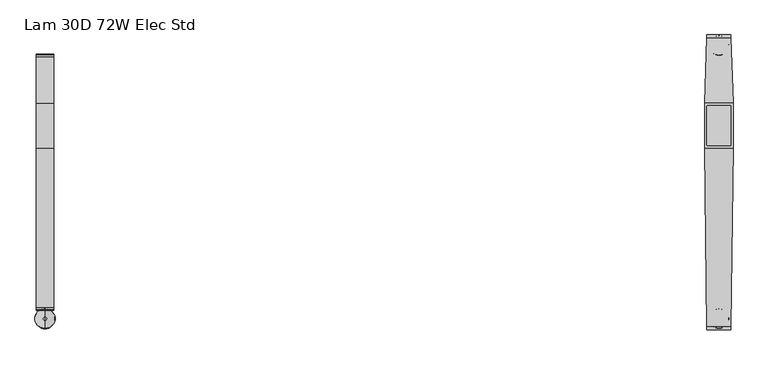
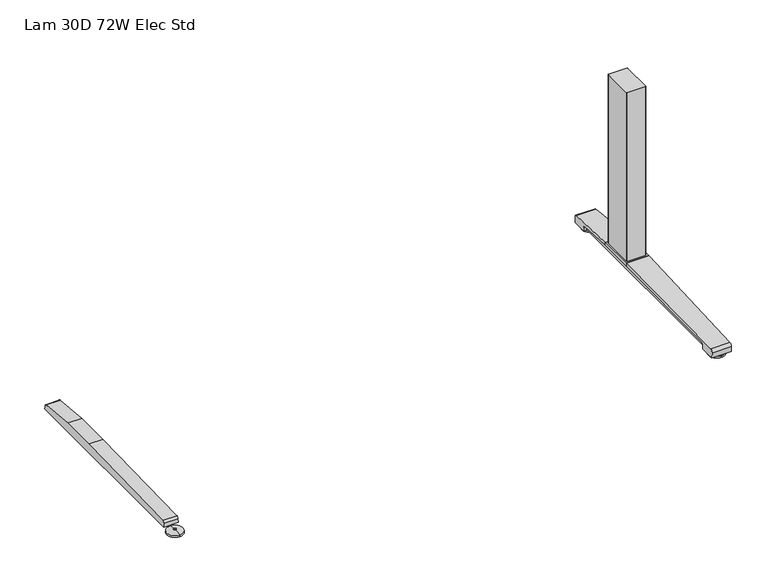
"""IFC4 building model written with IfcOpenShell, lengths in millimetres: furniture geometry, Lam 30D 72W Elec Std."""

from ifc_helpers import new_model, si_unit, point, frame, frame_2d, origin, place, context, project, spatial, polyline, circle_curve, ellipse_curve, trimmed, segment, composite_curve, outline, extrude, source, transform, mapped, element, save
from ifc_brep_helpers import plane_surface, cylinder_surface, revolved_surface, advanced_brep


def lam_30d_72w_elec_std_380b1c24(model_context):
    return source(origin(), model_context, "Body", "SolidModel", [
        advanced_brep(
        [(-836.676, -364.1643617, 0.0), (-836.676, -313.9743384, 0.0), (-836.676, -339.06935, 0.0), (-836.676, -364.0796512, 5.0038001), (-836.676, -314.0590489, 5.0038001), (-836.676, -343.0698499, 8.4327997), (-836.676, -335.0688501, 8.4327997), (-836.676, -343.0698499, 10.0423733), (-836.676, -335.0688501, 10.0423733), (-836.676, -339.06935, 10.0423733)],
        [
            (0, 1, circle_curve(frame((-836.676, -339.06935, 0.0), z_axis=(0.0, 0.0, -1.0), x_axis=(0.0, 1.0, 0.0)), 25.0950117)),
            (1, 2),
            (2, 0),
            (1, 0, circle_curve(frame((-836.676, -339.06935, 0.0), z_axis=(0.0, 0.0, -1.0), x_axis=(0.0, 1.0, 0.0)), 25.0950117)),
            (3, 4, circle_curve(frame((-836.676, -339.06935, 5.0038001), z_axis=(0.0, 0.0, -1.0), x_axis=(0.0, 1.0, 0.0)), 25.0103012)),
            (4, 1),
            (0, 3),
            (4, 3, circle_curve(frame((-836.676, -339.06935, 5.0038001), z_axis=(0.0, 0.0, -1.0), x_axis=(0.0, 1.0, 0.0)), 25.0103012)),
            (5, 6, circle_curve(frame((-836.676, -339.06935, 8.4327997), z_axis=(0.0, 0.0, -1.0), x_axis=(0.0, 1.0, 0.0)), 4.0004999)),
            (6, 4, circle_curve(frame((-836.676, -335.0368668, -57.4502444), z_axis=(-1.0, 0.0, 0.0), x_axis=(0.0, 1.0, 0.0)), 65.8830518)),
            (3, 5, circle_curve(frame((-836.676, -343.1018333, -57.4502444), z_axis=(-1.0, 0.0, 0.0), x_axis=(0.0, -1.0, 0.0)), 65.8830518)),
            (6, 5, circle_curve(frame((-836.676, -339.06935, 8.4327997), z_axis=(0.0, 0.0, -1.0), x_axis=(0.0, 1.0, 0.0)), 4.0004999)),
            (7, 8, circle_curve(frame((-836.676, -339.06935, 10.0423733), z_axis=(0.0, 0.0, -1.0), x_axis=(0.0, 1.0, 0.0)), 4.0004999)),
            (8, 6),
            (5, 7),
            (8, 7, circle_curve(frame((-836.676, -339.06935, 10.0423733), z_axis=(0.0, 0.0, -1.0), x_axis=(0.0, 1.0, 0.0)), 4.0004999)),
            (9, 8),
            (7, 9),
        ],
        [
            plane_surface(frame((-836.676, -339.06935, 0.0), z_axis=(0.0, 0.0, -1.0), x_axis=(0.0, 1.0, 0.0))),
            revolved_surface(polyline([(-836.676, -313.9743384, 0.0), (-836.676, -314.0590489, 5.0038001)]), (-836.676, -339.06935, 0.0), (0.0, 0.0, 1.0)),
            revolved_surface(trimmed(ellipse_curve(frame((-836.676, -335.0368668, -57.4502444), z_axis=(1.0, 0.0, 0.0), x_axis=(0.0, 1.0, 0.0)), 65.8830518, 65.8830518), [point((-836.676, -314.0590489, 5.0038001))], [point((-836.676, -335.0688501, 8.4327997))], True, "CARTESIAN"), (-836.676, -339.06935, 0.0), (0.0, 0.0, 1.0)),
            cylinder_surface(frame((-836.676, -339.06935, 0.0), z_axis=(0.0, 0.0, 1.0), x_axis=(0.0, 1.0, 0.0)), 4.0004999),
            plane_surface(frame((-836.676, -339.06935, 10.0423733), z_axis=(0.0, 0.0, 1.0), x_axis=(0.0, 1.0, 0.0))),
        ],
        [
            (0, [[1, 2, 3]]),
            (0, [[4, -3, -2]]),
            (1, [[5, 6, -1, 7]]),
            (1, [[8, -7, -4, -6]]),
            (2, [[9, 10, -5, 11]]),
            (2, [[12, -11, -8, -10]]),
            (3, [[13, 14, -9, 15]]),
            (3, [[16, -15, -12, -14]]),
            (4, [[17, -13, 18]]),
            (4, [[-18, -16, -17]]),
        ],
    ),
        extrude(outline(composite_curve([segment(polyline([(317.3152602, 22.833301), (318.3038309, 11.5339019), (-318.3038309, 11.5339019), (-317.3152602, 22.833301)]), True, "CONTINUOUS"), segment(trimmed(circle_curve(frame_2d((-310.4929906, 22.2364289)), 6.8483297), [point((-317.3152602, 22.833301))], [point((-311.3603185, 29.0296138))], False, "CARTESIAN"), True, "CONTINUOUS"), segment(polyline([(-311.3603185, 29.0296138), (84.6231873, 38.9541198), (196.8596127, 38.9541198), (311.3603185, 29.0296138)]), True, "CONTINUOUS"), segment(trimmed(circle_curve(frame_2d((310.4929906, 22.2364289)), 6.8483297), [point((311.3603185, 29.0296138))], [point((317.3152602, 22.833301))], False, "CARTESIAN"), True, "CONTINUOUS")], self_intersect=False)), frame((-858.6724, 0.0, 0.0), z_axis=(1.0, 0.0, 0.0), x_axis=(0.0, 1.0, 0.0)), (0.0, 0.0, 1.0), 43.9928),
        extrude(outline(composite_curve([segment(trimmed(circle_curve(frame_2d((864.2521079, 188.3835079)), 2.3323921), [point((864.2521079, 190.7159))], [point((866.5845, 188.3835079))], False, "CARTESIAN"), True, "CONTINUOUS"), segment(polyline([(866.5845, 188.3835079), (866.5845, 93.0992921)]), True, "CONTINUOUS"), segment(trimmed(circle_curve(frame_2d((864.2521079, 93.0992921)), 2.3323921), [point((866.5845, 93.0992921))], [point((864.2521079, 90.7669))], False, "CARTESIAN"), True, "CONTINUOUS"), segment(polyline([(864.2521079, 90.7669), (809.0998921, 90.7669)]), True, "CONTINUOUS"), segment(trimmed(circle_curve(frame_2d((809.0998921, 93.0992921)), 2.3323921), [point((809.0998921, 90.7669))], [point((806.7675, 93.0992921))], False, "CARTESIAN"), True, "CONTINUOUS"), segment(polyline([(806.7675, 93.0992921), (806.7675, 188.3835079)]), True, "CONTINUOUS"), segment(trimmed(circle_curve(frame_2d((809.0998921, 188.3835079)), 2.3323921), [point((806.7675, 188.3835079))], [point((809.0998921, 190.7159))], False, "CARTESIAN"), True, "CONTINUOUS"), segment(polyline([(809.0998921, 190.7159), (864.2521079, 190.7159)]), True, "CONTINUOUS")], self_intersect=False)), frame((0.0, 0.0, 48.10013), z_axis=(0.0, 0.0, 1.0), x_axis=(1.0, 0.0, 0.0)), (0.0, 0.0, 1.0), 550.9989485),
        advanced_brep(
        [(836.676, 314.8489737, 0.0), (836.676, 365.038997, 0.0), (836.676, 339.9439854, 0.0), (836.676, 314.9336842, 5.0038001), (836.676, 364.9542866, 5.0038001), (836.676, 335.9434855, 8.4327997), (836.676, 343.9444853, 8.4327997), (836.676, 335.9434855, 10.0423733), (836.676, 343.9444853, 10.0423733), (836.676, 339.9439854, 10.0423733)],
        [
            (0, 1, circle_curve(frame((836.676, 339.9439854, 0.0), z_axis=(0.0, 0.0, -1.0), x_axis=(0.0, 1.0, 0.0)), 25.0950117)),
            (1, 2),
            (2, 0),
            (1, 0, circle_curve(frame((836.676, 339.9439854, 0.0), z_axis=(0.0, 0.0, -1.0), x_axis=(0.0, 1.0, 0.0)), 25.0950117)),
            (3, 4, circle_curve(frame((836.676, 339.9439854, 5.0038001), z_axis=(0.0, 0.0, -1.0), x_axis=(0.0, 1.0, 0.0)), 25.0103012)),
            (4, 1),
            (0, 3),
            (4, 3, circle_curve(frame((836.676, 339.9439854, 5.0038001), z_axis=(0.0, 0.0, -1.0), x_axis=(0.0, 1.0, 0.0)), 25.0103012)),
            (5, 6, circle_curve(frame((836.676, 339.9439854, 8.4327997), z_axis=(0.0, 0.0, -1.0), x_axis=(0.0, 1.0, 0.0)), 4.0004999)),
            (6, 4, circle_curve(frame((836.676, 343.9764687, -57.4502444), z_axis=(-1.0, 0.0, 0.0), x_axis=(0.0, 1.0, 0.0)), 65.8830518)),
            (3, 5, circle_curve(frame((836.676, 335.9115021, -57.4502444), z_axis=(-1.0, 0.0, 0.0), x_axis=(0.0, -1.0, 0.0)), 65.8830518)),
            (6, 5, circle_curve(frame((836.676, 339.9439854, 8.4327997), z_axis=(0.0, 0.0, -1.0), x_axis=(0.0, 1.0, 0.0)), 4.0004999)),
            (7, 8, circle_curve(frame((836.676, 339.9439854, 10.0423733), z_axis=(0.0, 0.0, -1.0), x_axis=(0.0, 1.0, 0.0)), 4.0004999)),
            (8, 6),
            (5, 7),
            (8, 7, circle_curve(frame((836.676, 339.9439854, 10.0423733), z_axis=(0.0, 0.0, -1.0), x_axis=(0.0, 1.0, 0.0)), 4.0004999)),
            (9, 8),
            (7, 9),
        ],
        [
            plane_surface(frame((836.676, 339.9439854, 0.0), z_axis=(0.0, 0.0, -1.0), x_axis=(0.0, 1.0, 0.0))),
            revolved_surface(polyline([(836.676, 365.038997, 0.0), (836.676, 364.9542866, 5.0038001)]), (836.676, 339.9439854, 0.0), (0.0, 0.0, 1.0)),
            revolved_surface(trimmed(ellipse_curve(frame((836.676, 343.9764687, -57.4502444), z_axis=(1.0, 0.0, 0.0), x_axis=(0.0, 1.0, 0.0)), 65.8830518, 65.8830518), [point((836.676, 364.9542866, 5.0038001))], [point((836.676, 343.9444853, 8.4327997))], True, "CARTESIAN"), (836.676, 339.9439854, 0.0), (0.0, 0.0, 1.0)),
            cylinder_surface(frame((836.676, 339.9439854, 0.0), z_axis=(0.0, 0.0, 1.0), x_axis=(0.0, 1.0, 0.0)), 4.0004999),
            plane_surface(frame((836.676, 339.9439854, 10.0423733), z_axis=(0.0, 0.0, 1.0), x_axis=(0.0, 1.0, 0.0))),
        ],
        [
            (0, [[1, 2, 3]]),
            (0, [[4, -3, -2]]),
            (1, [[5, 6, -1, 7]]),
            (1, [[8, -7, -4, -6]]),
            (2, [[9, 10, -5, 11]]),
            (2, [[12, -11, -8, -10]]),
            (3, [[13, 14, -9, 15]]),
            (3, [[16, -15, -12, -14]]),
            (4, [[17, -13, 18]]),
            (4, [[-18, -16, -17]]),
        ],
    ),
        advanced_brep(
        [(836.676, -364.1643617, 0.0), (836.676, -313.9743384, 0.0), (836.676, -339.06935, 0.0), (836.676, -364.0796512, 5.0038001), (836.676, -314.0590489, 5.0038001), (836.676, -343.0698499, 8.4327997), (836.676, -335.0688501, 8.4327997), (836.676, -343.0698499, 10.0423733), (836.676, -335.0688501, 10.0423733), (836.676, -339.06935, 10.0423733)],
        [
            (0, 1, circle_curve(frame((836.676, -339.06935, 0.0), z_axis=(0.0, 0.0, -1.0), x_axis=(0.0, 1.0, 0.0)), 25.0950117)),
            (1, 2),
            (2, 0),
            (1, 0, circle_curve(frame((836.676, -339.06935, 0.0), z_axis=(0.0, 0.0, -1.0), x_axis=(0.0, 1.0, 0.0)), 25.0950117)),
            (3, 4, circle_curve(frame((836.676, -339.06935, 5.0038001), z_axis=(0.0, 0.0, -1.0), x_axis=(0.0, 1.0, 0.0)), 25.0103012)),
            (4, 1),
            (0, 3),
            (4, 3, circle_curve(frame((836.676, -339.06935, 5.0038001), z_axis=(0.0, 0.0, -1.0), x_axis=(0.0, 1.0, 0.0)), 25.0103012)),
            (5, 6, circle_curve(frame((836.676, -339.06935, 8.4327997), z_axis=(0.0, 0.0, -1.0), x_axis=(0.0, 1.0, 0.0)), 4.0004999)),
            (6, 4, circle_curve(frame((836.676, -335.0368668, -57.4502444), z_axis=(-1.0, 0.0, 0.0), x_axis=(0.0, 1.0, 0.0)), 65.8830518)),
            (3, 5, circle_curve(frame((836.676, -343.1018333, -57.4502444), z_axis=(-1.0, 0.0, 0.0), x_axis=(0.0, -1.0, 0.0)), 65.8830518)),
            (6, 5, circle_curve(frame((836.676, -339.06935, 8.4327997), z_axis=(0.0, 0.0, -1.0), x_axis=(0.0, 1.0, 0.0)), 4.0004999)),
            (7, 8, circle_curve(frame((836.676, -339.06935, 10.0423733), z_axis=(0.0, 0.0, -1.0), x_axis=(0.0, 1.0, 0.0)), 4.0004999)),
            (8, 6),
            (5, 7),
            (8, 7, circle_curve(frame((836.676, -339.06935, 10.0423733), z_axis=(0.0, 0.0, -1.0), x_axis=(0.0, 1.0, 0.0)), 4.0004999)),
            (9, 8),
            (7, 9),
        ],
        [
            plane_surface(frame((836.676, -339.06935, 0.0), z_axis=(0.0, 0.0, -1.0), x_axis=(0.0, 1.0, 0.0))),
            revolved_surface(polyline([(836.676, -313.9743384, 0.0), (836.676, -314.0590489, 5.0038001)]), (836.676, -339.06935, 0.0), (0.0, 0.0, 1.0)),
            revolved_surface(trimmed(ellipse_curve(frame((836.676, -335.0368668, -57.4502444), z_axis=(1.0, 0.0, 0.0), x_axis=(0.0, 1.0, 0.0)), 65.8830518, 65.8830518), [point((836.676, -314.0590489, 5.0038001))], [point((836.676, -335.0688501, 8.4327997))], True, "CARTESIAN"), (836.676, -339.06935, 0.0), (0.0, 0.0, 1.0)),
            cylinder_surface(frame((836.676, -339.06935, 0.0), z_axis=(0.0, 0.0, 1.0), x_axis=(0.0, 1.0, 0.0)), 4.0004999),
            plane_surface(frame((836.676, -339.06935, 10.0423733), z_axis=(0.0, 0.0, 1.0), x_axis=(0.0, 1.0, 0.0))),
        ],
        [
            (0, [[1, 2, 3]]),
            (0, [[4, -3, -2]]),
            (1, [[5, 6, -1, 7]]),
            (1, [[8, -7, -4, -6]]),
            (2, [[9, 10, -5, 11]]),
            (2, [[12, -11, -8, -10]]),
            (3, [[13, 14, -9, 15]]),
            (3, [[16, -15, -12, -14]]),
            (4, [[17, -13, 18]]),
            (4, [[-18, -16, -17]]),
        ],
    ),
        extrude(outline(polyline([(871.8068382, 196.8596127), (871.8068382, 84.6231873), (801.5451618, 84.6231873), (801.5451618, 196.8596127), (871.8068382, 196.8596127)])), frame((0.0, 0.0, 38.9541198), z_axis=(0.0, 0.0, 1.0), x_axis=(1.0, 0.0, 0.0)), (0.0, 0.0, 1.0), 9.1460102),
        advanced_brep(
        [(866.3735496, 366.395, 26.8186), (866.613509, 358.907527, 35.7787117), (871.8068382, 196.8596127, 48.10013), (871.8068382, 196.8596127, 38.9541198), (868.1373071, 311.3603185, 29.0296138), (867.9464625, 317.3152602, 22.833301), (867.9106016, 318.4342309, 10.0434261), (866.4198676, 364.9497362, 10.041053), (806.738849, 358.907527, 35.7787117), (806.9788083, 366.395, 26.8186), (806.9324903, 364.9497362, 10.041053), (805.4417563, 318.4342309, 10.0434261), (805.4058954, 317.3152602, 22.833301), (805.2150508, 311.3603185, 29.0296138), (801.5455193, 196.8596013, 38.9541208), (801.5455197, 196.8596127, 48.10013)],
        [
            (0, 1, ellipse_curve(frame((866.6380766, 358.1409412, 27.5296273), z_axis=(0.9994868545941118, 0.03203166392132806, 0.0), x_axis=(0.032031663921324206, -0.9994868545941118, 0.0)), 8.2888806, 8.2846272)),
            (1, 2, ellipse_curve(frame((921.7365776, -1361.1024809, -21513.5555312), z_axis=(0.9994868545941118, 0.03203166392132806, 0.0), x_axis=(0.032031663921324206, -0.9994868545941118, 0.0)), 21628.9673574, 21617.8685521)),
            (2, 3),
            (3, 4),
            (4, 5, ellipse_curve(frame((868.1651033, 310.4929906, 22.2364289), z_axis=(-0.9994868545941118, -0.03203166392132806, 0.0), x_axis=(-0.032031663921324206, 0.9994868545941118, 0.0)), 6.8518456, 6.8483297)),
            (5, 6),
            (6, 7),
            (7, 0),
            (8, 9, ellipse_curve(frame((806.7142813, 358.1409412, 27.5296273), z_axis=(-0.9994868545941165, 0.03203166392118384, 0.0), x_axis=(0.032031663921180474, 0.9994868545941163, 0.0)), 8.2888806, 8.2846272)),
            (9, 10),
            (10, 11),
            (11, 12),
            (12, 13, ellipse_curve(frame((805.1872546, 310.4929906, 22.2364289), z_axis=(0.9994868545941165, -0.03203166392118384, 0.0), x_axis=(-0.032031663921180474, -0.9994868545941163, 0.0)), 6.8518456, 6.8483297)),
            (13, 14),
            (14, 15),
            (15, 8, ellipse_curve(frame((751.6157803, -1361.1024809, -21513.5555312), z_axis=(-0.9994868545941165, 0.03203166392118384, 0.0), x_axis=(0.032031663921180474, 0.9994868545941163, 0.0)), 21628.9673574, 21617.8685521)),
            (0, 9),
            (8, 1),
            (7, 10),
            (6, 11),
            (5, 12),
            (4, 13),
            (3, 14),
            (2, 15),
        ],
        [
            plane_surface(frame((866.3226732, 367.9825, 48.10013), z_axis=(0.9994868545941118, 0.03203166392132806, 0.0), x_axis=(0.0, 0.0, -1.0))),
            plane_surface(frame((801.5455197, 196.8596127, 48.10013), z_axis=(-0.9994868545941165, 0.03203166392118384, 0.0), x_axis=(0.0, 0.0, -1.0))),
            cylinder_surface(frame((801.5451618, 358.1409412, 27.5296273), z_axis=(1.0, 0.0, 0.0), x_axis=(0.0, 1.0, 0.0)), 8.2846272),
            plane_surface(frame((871.8068382, 364.9497362, 10.041053), z_axis=(0.0, 0.9963102368703288, -0.08582489095471861), x_axis=(-1.0, 0.0, 0.0))),
            plane_surface(frame((871.8068382, 318.4342309, 10.0434261), z_axis=(0.0, -5.1017984192696555e-05, -0.9999999986985827), x_axis=(-1.0, 0.0, 0.0))),
            plane_surface(frame((871.8068382, 317.3152602, 22.833301), z_axis=(0.0, -0.9961946873837872, -0.0871558651400954), x_axis=(-1.0, 0.0, 0.0))),
            revolved_surface(polyline([(804.9677785845009, 317.3413203, 22.2364289), (868.3845793155001, 317.3413203, 22.2364289)]), (801.5451618, 310.4929906, 22.2364289), (-1.0, 0.0, 0.0)),
            plane_surface(frame((871.8068382, 196.8596127, 38.9541198), z_axis=(0.0, -0.08635260649839666, -0.9962646372078722), x_axis=(-1.0, 0.0, 0.0))),
            plane_surface(frame((871.8068382, 196.8596127, 48.10013), z_axis=(0.0, -1.0, 0.0), x_axis=(-1.0, 0.0, 0.0))),
            cylinder_surface(frame((801.5451618, -1361.1024809, -21513.5555312), z_axis=(1.0, 0.0, 0.0), x_axis=(0.0, 1.0, 0.0)), 21617.8685521),
        ],
        [
            (0, [[1, 2, 3, 4, 5, 6, 7, 8]]),
            (1, [[9, 10, 11, 12, 13, 14, 15, 16]]),
            (2, [[17, -9, 18, -1]]),
            (3, [[-17, -8, 19, -10]]),
            (4, [[-19, -7, 20, -11]]),
            (5, [[-20, -6, 21, -12]]),
            (6, [[-21, -5, 22, -13]]),
            (7, [[23, -14, -22, -4]]),
            (8, [[-23, -3, 24, -15]]),
            (9, [[-24, -2, -18, -16]]),
        ],
    ),
        extrude(outline(composite_curve([segment(polyline([(317.3152602, 22.833301), (318.3038309, 11.5339019), (-318.3038309, 11.5339019), (-317.3152602, 22.833301)]), True, "CONTINUOUS"), segment(trimmed(circle_curve(frame_2d((-310.4929906, 22.2364289)), 6.8483297), [point((-317.3152602, 22.833301))], [point((-311.3603185, 29.0296138))], False, "CARTESIAN"), True, "CONTINUOUS"), segment(polyline([(-311.3603185, 29.0296138), (84.6231873, 38.9541198), (196.8596127, 38.9541198), (311.3603185, 29.0296138)]), True, "CONTINUOUS"), segment(trimmed(circle_curve(frame_2d((310.4929906, 22.2364289)), 6.8483297), [point((311.3603185, 29.0296138))], [point((317.3152602, 22.833301))], False, "CARTESIAN"), True, "CONTINUOUS")], self_intersect=False)), frame((814.6796, 0.0, 0.0), z_axis=(1.0, 0.0, 0.0), x_axis=(0.0, 1.0, 0.0)), (0.0, 0.0, 1.0), 43.9928),
        advanced_brep(
        [(866.4326335, -358.907527, 35.7787117), (806.9197244, -358.907527, 35.7787117), (807.0104491, -366.395, 26.8186), (866.3419088, -366.395, 26.8186), (806.9929371, -364.9497362, 10.041053), (866.3594208, -364.9497362, 10.041053), (806.4293147, -318.4342309, 10.0434261), (866.9230432, -318.4342309, 10.0434261), (806.4157562, -317.3152602, 22.833301), (866.9366017, -317.3152602, 22.833301), (806.343601, -311.3603185, 29.0296138), (867.0087569, -311.3603185, 29.0296138), (801.5451618, 84.6231873, 38.9541198), (871.8068382, 84.6231873, 38.9541198), (801.5455197, 84.6231873, 48.10013), (871.8068382, 84.6231873, 48.10013)],
        [
            (0, 1),
            (1, 2, ellipse_curve(frame((806.9104358, -358.1409412, 27.5296273), z_axis=(0.9999265987939379, 0.012115982188308264, 0.0), x_axis=(0.01211598218829372, -0.9999265987939379, 0.0)), 8.2852353, 8.2846272)),
            (2, 3),
            (3, 0, ellipse_curve(frame((866.4419221, -358.1409412, 27.5296273), z_axis=(-0.999926598793938, 0.01211598218829279, 0.0), x_axis=(0.012115982188294067, 0.9999265987939379, 0.0)), 8.2852353, 8.2846272)),
            (2, 4),
            (4, 5),
            (5, 3),
            (4, 6),
            (6, 7),
            (7, 5),
            (6, 8),
            (8, 9),
            (9, 7),
            (8, 10, ellipse_curve(frame((806.3330917, -310.4929906, 22.2364289), z_axis=(-0.9999265987939379, -0.012115982188308264, 0.0), x_axis=(-0.01211598218829372, 0.9999265987939379, 0.0)), 6.8488324, 6.8483297)),
            (10, 11),
            (11, 9, ellipse_curve(frame((867.0192662, -310.4929906, 22.2364289), z_axis=(0.999926598793938, -0.01211598218829279, 0.0), x_axis=(-0.012115982188294067, -0.9999265987939379, 0.0)), 6.8488324, 6.8483297)),
            (12, 13),
            (13, 11),
            (10, 12),
            (12, 14),
            (14, 15),
            (15, 13),
            (15, 0, ellipse_curve(frame((887.2737739, 1361.1024809, -53889.962004), z_axis=(0.999926598793938, -0.01211598218829279, 0.0), x_axis=(0.012115982188294067, 0.9999265987939379, 0.0)), 53957.1248938, 53953.1643758)),
            (1, 14, ellipse_curve(frame((786.078584, 1361.1024809, -53889.962004), z_axis=(-0.9999265987939379, -0.012115982188308264, 0.0), x_axis=(0.01211598218829372, -0.9999265987939379, 0.0)), 53957.1248938, 53953.1643758)),
        ],
        [
            cylinder_surface(frame((801.5451618, -358.1409412, 27.5296273), z_axis=(1.0, 0.0, 0.0), x_axis=(0.0, 1.0, 0.0)), 8.2846272),
            plane_surface(frame((871.8068382, -366.395, 26.8186), z_axis=(0.0, -0.9963102368705485, -0.0858248909521675), x_axis=(-1.0, 0.0, 0.0))),
            plane_surface(frame((871.8068382, -364.9497362, 10.041053), z_axis=(0.0, 5.101798391284063e-05, -0.9999999986985827), x_axis=(-1.0, 0.0, 0.0))),
            plane_surface(frame((871.8068382, -318.4342309, 10.0434261), z_axis=(0.0, 0.9961946873837972, -0.08715586513998141), x_axis=(-1.0, 0.0, 0.0))),
            revolved_surface(polyline([(806.250111368631, -303.64466089999996, 22.2364289), (867.102246531369, -303.64466089999996, 22.2364289)]), (801.5451618, -310.4929906, 22.2364289), (-1.0, 0.0, 0.0)),
            plane_surface(frame((871.8068382, -311.3603185, 29.0296138), z_axis=(0.0, 0.025055059879514837, -0.999686072712046), x_axis=(-1.0, 0.0, 0.0))),
            plane_surface(frame((871.8068382, 84.6231873, 38.9541198), z_axis=(0.0, 1.0, 0.0), x_axis=(-1.0, 0.0, 0.0))),
            plane_surface(frame((871.8068382, 84.6231873, 48.10013), z_axis=(0.999926598793938, -0.01211598218829279, 0.0), x_axis=(0.0, 0.0, -1.0))),
            plane_surface(frame((807.0296847, -367.9825, 48.10013), z_axis=(-0.9999265987939379, -0.012115982188308264, 0.0), x_axis=(0.0, 0.0, -1.0))),
            cylinder_surface(frame((801.5451618, 1361.1024809, -53889.962004), z_axis=(1.0, 0.0, 0.0), x_axis=(0.0, 1.0, 0.0)), 53953.1643758),
        ],
        [
            (0, [[1, 2, 3, 4]]),
            (1, [[-3, 5, 6, 7]]),
            (2, [[-6, 8, 9, 10]]),
            (3, [[-9, 11, 12, 13]]),
            (4, [[-12, 14, 15, 16]]),
            (5, [[17, 18, -15, 19]]),
            (6, [[-17, 20, 21, 22]]),
            (7, [[-4, -7, -10, -13, -16, -18, -22, 23]]),
            (8, [[-2, 24, -20, -19, -14, -11, -8, -5]]),
            (9, [[-21, -24, -1, -23]]),
        ],
    ),
    ])


if __name__ == "__main__":
    model = new_model("IFC4")
    model_context = context("Model", 3, world=origin())
    ifc_project = project(units=[si_unit("LENGTHUNIT", "METRE", prefix="MILLI")], contexts=[model_context])
    site = spatial("IfcSite", under=ifc_project)
    building = spatial("IfcBuilding", under=site)
    placement = place(None, origin())
    lam_30d_72w_elec_std_shape = lam_30d_72w_elec_std_380b1c24(model_context)
    element("IfcFurniture", 1, ObjectType="Lam 30D 72W Elec Std", at=placement, inside=building, context=model_context, shape_type="MappedRepresentation", body=[
        mapped(lam_30d_72w_elec_std_shape, transform((0.0, 0.0, 0.0), x_axis=(1.0, 0.0, 0.0), y_axis=(0.0, 1.0, 0.0), z_axis=(0.0, 0.0, 1.0))),
    ])
    save(model, "model.ifc")
